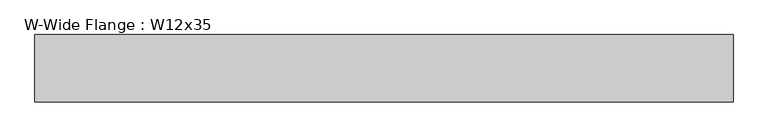
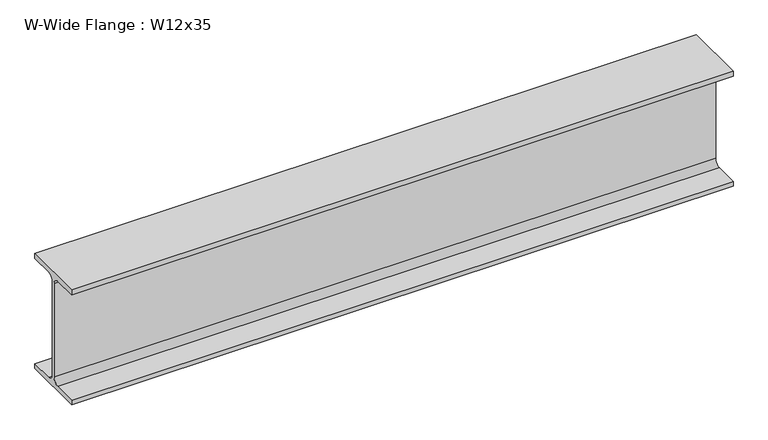
"""IFC4 building model written with IfcOpenShell, lengths in millimetres: beam geometry, W-Wide Flange : W12x35."""

from ifc_helpers import new_model, si_unit, point, frame, frame_2d, origin, place, context, project, spatial, polyline, circle_curve, trimmed, segment, composite_curve, outline, extrude, source, transform, mapped, element, save


def w_wide_flange_w12x35_0dbfc998(model_context):
    return source(origin(), model_context, "Body", "SweptSolid", [
        extrude(outline(composite_curve([segment(polyline([(83.312, -145.542), (83.312, -158.75), (-83.312, -158.75), (-83.312, -145.542), (-20.7645, -145.542)]), True, "CONTINUOUS"), segment(trimmed(circle_curve(frame_2d((-20.7645, -128.5875)), 16.9545), [point((-20.7645, -145.542))], [point((-3.81, -128.5875))], True, "CARTESIAN"), True, "CONTINUOUS"), segment(polyline([(-3.81, -128.5875), (-3.81, 128.5875)]), True, "CONTINUOUS"), segment(trimmed(circle_curve(frame_2d((-20.7645, 128.5875)), 16.9545), [point((-3.81, 128.5875))], [point((-20.7645, 145.542))], True, "CARTESIAN"), True, "CONTINUOUS"), segment(polyline([(-20.7645, 145.542), (-83.312, 145.542), (-83.312, 158.75), (83.312, 158.75), (83.312, 145.542), (20.7645, 145.542)]), True, "CONTINUOUS"), segment(trimmed(circle_curve(frame_2d((20.7645, 128.5875)), 16.9545), [point((20.7645, 145.542))], [point((3.81, 128.5875))], True, "CARTESIAN"), True, "CONTINUOUS"), segment(polyline([(3.81, 128.5875), (3.81, -128.5875)]), True, "CONTINUOUS"), segment(trimmed(circle_curve(frame_2d((20.7645, -128.5875)), 16.9545), [point((3.81, -128.5875))], [point((20.7645, -145.542))], True, "CARTESIAN"), True, "CONTINUOUS"), segment(polyline([(20.7645, -145.542), (83.312, -145.542)]), True, "CONTINUOUS")], self_intersect=False)), frame((-829.31, 0.0, 0.0), z_axis=(1.0, 0.0, 0.0), x_axis=(0.0, 1.0, 0.0)), (0.0, 0.0, 1.0), 1728.089),
    ])


if __name__ == "__main__":
    model = new_model("IFC4")
    model_context = context("Model", 3, world=origin())
    ifc_project = project(units=[si_unit("LENGTHUNIT", "METRE", prefix="MILLI")], contexts=[model_context])
    site = spatial("IfcSite", under=ifc_project)
    building = spatial("IfcBuilding", under=site)
    placement = place(None, origin())
    w_wide_flange_w12x35_shape = w_wide_flange_w12x35_0dbfc998(model_context)
    element("IfcBeam", 1, ObjectType="W-Wide Flange : W12x35", at=placement, inside=building, context=model_context, shape_type="MappedRepresentation", body=[
        mapped(w_wide_flange_w12x35_shape, transform((0.0, 0.0, 0.0), x_axis=(1.0, 0.0, 0.0), y_axis=(0.0, 1.0, 0.0), z_axis=(0.0, 0.0, 1.0))),
    ])
    save(model, "model.ifc")
